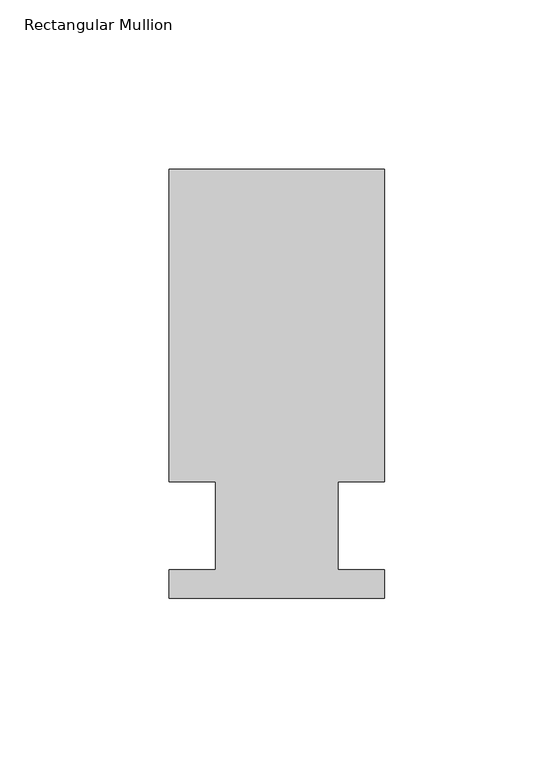
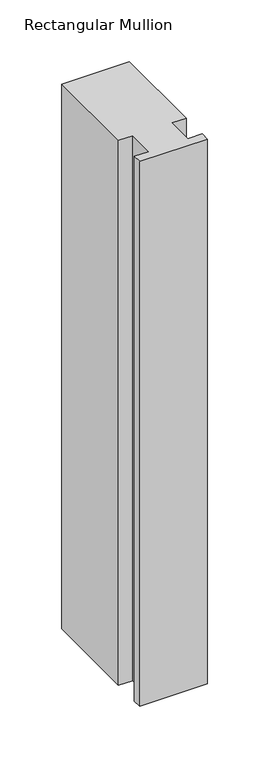
"""IFC4 building model written with IfcOpenShell, lengths in millimetres: member geometry, Rectangular Mullion."""

from ifc_helpers import new_model, si_unit, frame, origin, place, context, project, spatial, polyline, outline, extrude, source, transform, mapped, element, save


def rectangular_mullion_0712349d(model_context):
    return source(origin(), model_context, "Body", "SweptSolid", [
        extrude(outline(polyline([(-63.5, 126.4808875), (0.0, 126.4808875), (0.0, 34.3296875), (-13.6398, 34.3296875), (-13.6398, 8.3454875), (0.0, 8.3454875), (0.0, -0.0111125), (-63.5, -0.0111125), (-63.5, 8.3454875), (-49.9070313, 8.3454875), (-49.9070313, 34.3296875), (-63.5, 34.3296875), (-63.5, 126.4808875)])), frame((0.0, 0.0, -539.75), z_axis=(0.0, 0.0, 1.0), x_axis=(1.0, 0.0, 0.0)), (0.0, 0.0, 1.0), 539.75),
    ])


if __name__ == "__main__":
    model = new_model("IFC4")
    model_context = context("Model", 3, world=origin())
    ifc_project = project(units=[si_unit("LENGTHUNIT", "METRE", prefix="MILLI")], contexts=[model_context])
    site = spatial("IfcSite", under=ifc_project)
    building = spatial("IfcBuilding", under=site)
    placement = place(None, origin())
    rectangular_mullion_shape = rectangular_mullion_0712349d(model_context)
    element("IfcMember", 1, ObjectType="Rectangular Mullion", at=placement, inside=building, context=model_context, shape_type="MappedRepresentation", body=[
        mapped(rectangular_mullion_shape, transform((0.0, 0.0, 0.0), x_axis=(1.0, 0.0, 0.0), y_axis=(0.0, 1.0, 0.0), z_axis=(0.0, 0.0, 1.0))),
    ])
    save(model, "model.ifc")
